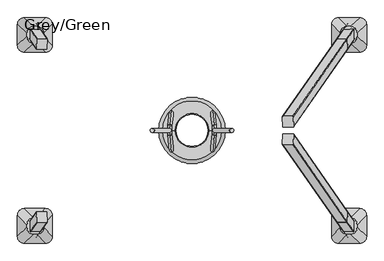
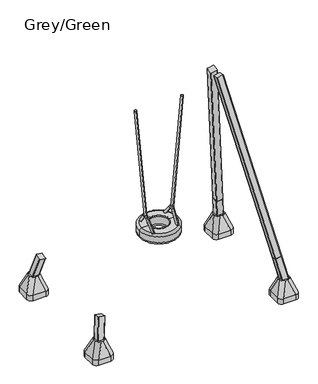
"""IFC4 building model written with IfcOpenShell, lengths in millimetres: furniture geometry, Grey/Green."""

from ifc_helpers import new_model, si_unit, point, frame, frame_2d, origin, place, context, project, spatial, polyline, circle_curve, ellipse_curve, trimmed, segment, composite_curve, outline, extrude, source, transform, mapped, element, save
from ifc_brep_helpers import plane_surface, cylinder_surface, revolved_surface, extruded_surface, advanced_brep


def grey_green_df80d558(model_context):
    return source(origin(), model_context, "Body", "SolidModel", [
        advanced_brep(
        [(1260.0, -672.5, -604.0), (1440.0, -672.5, -604.0), (1500.0, -732.5, -604.0), (1500.0, -912.5, -604.0), (1440.0, -972.5, -604.0), (1260.0, -972.5, -604.0), (1200.0, -912.5, -604.0), (1200.0, -732.5, -604.0), (1260.0, -672.5, -526.0689494), (1440.0, -672.5, -526.0689494), (1500.0, -732.5, -526.0689494), (1500.0, -912.5, -526.0689494), (1440.0, -972.5, -526.0689494), (1260.0, -972.5, -526.0689494), (1200.0, -912.5, -526.0689494), (1200.0, -732.5, -526.0689494), (1358.9540451, -751.0510597, -316.0689494), (1333.9540451, -751.0510597, -316.0689494), (1273.9540451, -811.0510597, -316.0689494), (1273.9540451, -836.0510597, -316.0689494), (1333.9540451, -896.0510597, -316.0689494), (1358.9540451, -896.0510597, -316.0689494), (1418.9540451, -836.0510597, -316.0689494), (1418.9540451, -811.0510597, -316.0689494)],
        [
            (0, 1),
            (1, 2, circle_curve(frame((1440.0, -732.5, -604.0), z_axis=(0.0, 0.0, -1.0), x_axis=(-1.0, 0.0, 0.0)), 60.0)),
            (2, 3),
            (3, 4, circle_curve(frame((1440.0, -912.5, -604.0), z_axis=(0.0, 0.0, -1.0), x_axis=(-1.0, 0.0, 0.0)), 60.0)),
            (4, 5),
            (5, 6, circle_curve(frame((1260.0, -912.5, -604.0), z_axis=(0.0, 0.0, -1.0), x_axis=(-1.0, 0.0, 0.0)), 60.0)),
            (6, 7),
            (7, 0, circle_curve(frame((1260.0, -732.5, -604.0), z_axis=(0.0, 0.0, -1.0), x_axis=(-1.0, 0.0, 0.0)), 60.0)),
            (0, 8),
            (8, 9),
            (9, 1),
            (2, 10),
            (10, 11),
            (11, 3),
            (4, 12),
            (12, 13),
            (13, 5),
            (6, 14),
            (14, 15),
            (15, 7),
            (16, 17),
            (17, 18, circle_curve(frame((1333.9540451, -811.0510597, -316.0689494), z_axis=(0.0, 0.0, 1.0), x_axis=(-1.0, 0.0, 0.0)), 60.0)),
            (18, 19),
            (19, 20, circle_curve(frame((1333.9540451, -836.0510597, -316.0689494), z_axis=(0.0, 0.0, 1.0), x_axis=(-1.0, 0.0, 0.0)), 60.0)),
            (20, 21),
            (21, 22, circle_curve(frame((1358.9540451, -836.0510597, -316.0689494), z_axis=(0.0, 0.0, 1.0), x_axis=(-1.0, 0.0, 0.0)), 60.0)),
            (22, 23),
            (23, 16, circle_curve(frame((1358.9540451, -811.0510597, -316.0689494), z_axis=(0.0, 0.0, 1.0), x_axis=(-1.0, 0.0, 0.0)), 60.0)),
            (22, 11),
            (10, 23),
            (20, 13),
            (12, 21),
            (18, 15),
            (14, 19),
            (16, 9),
            (8, 17),
            (9, 10, circle_curve(frame((1440.0, -732.5, -526.0689494), z_axis=(0.0, 0.0, -1.0), x_axis=(-1.0, 0.0, 0.0)), 60.0)),
            (11, 12, circle_curve(frame((1440.0, -912.5, -526.0689494), z_axis=(0.0, 0.0, -1.0), x_axis=(-1.0, 0.0, 0.0)), 60.0)),
            (13, 14, circle_curve(frame((1260.0, -912.5, -526.0689494), z_axis=(0.0, 0.0, -1.0), x_axis=(-1.0, 0.0, 0.0)), 60.0)),
            (15, 8, circle_curve(frame((1260.0, -732.5, -526.0689494), z_axis=(0.0, 0.0, -1.0), x_axis=(-1.0, 0.0, 0.0)), 60.0)),
        ],
        [
            plane_surface(frame((1526.6329682, -672.5, -604.0), z_axis=(0.0, 0.0, -1.0), x_axis=(-1.0, 0.0, 0.0))),
            plane_surface(frame((1260.0, -672.5, -526.0689494), z_axis=(0.0, 1.0, 0.0), x_axis=(0.0, 0.0, -1.0))),
            plane_surface(frame((1500.0, -732.5, -526.0689494), z_axis=(1.0, 0.0, 0.0), x_axis=(0.0, 0.0, -1.0))),
            plane_surface(frame((1440.0, -972.5, -526.0689494), z_axis=(0.0, -1.0, 0.0), x_axis=(0.0, 0.0, -1.0))),
            plane_surface(frame((1200.0, -912.5, -526.0689494), z_axis=(-1.0, 0.0, 0.0), x_axis=(0.0, 0.0, -1.0))),
            plane_surface(frame((1346.4540451, -823.5510597, -316.0689494), z_axis=(0.0, 0.0, 1.0), x_axis=(1.0, 0.0, 0.0))),
            plane_surface(frame((1500.0, -822.5, -526.0689494), z_axis=(0.9329330935587706, 0.0, 0.36004977842357055), x_axis=(0.0, -1.0, 0.0))),
            plane_surface(frame((1350.0, -972.5, -526.0689494), z_axis=(0.0, -0.9396707723277333, 0.34208016550656856), x_axis=(-1.0, 0.0, 0.0))),
            plane_surface(frame((1200.0, -822.5, -526.0689494), z_axis=(-0.9432207285248213, 0.0, 0.33216661072586046), x_axis=(0.0, 1.0, 0.0))),
            plane_surface(frame((1350.0, -672.5, -526.0689494), z_axis=(0.0, 0.9366205672401335, 0.35034541958297477), x_axis=(1.0, 0.0, 0.0))),
            cylinder_surface(frame((1440.0, -732.5, -604.0), z_axis=(0.0, 0.0, 1.0), x_axis=(-1.0, 0.0, 0.0)), 60.0),
            cylinder_surface(frame((1440.0, -912.5, -604.0), z_axis=(0.0, 0.0, 1.0), x_axis=(-1.0, 0.0, 0.0)), 60.0),
            cylinder_surface(frame((1260.0, -912.5, -604.0), z_axis=(0.0, 0.0, 1.0), x_axis=(-1.0, 0.0, 0.0)), 60.0),
            cylinder_surface(frame((1260.0, -732.5, -604.0), z_axis=(0.0, 0.0, 1.0), x_axis=(-1.0, 0.0, 0.0)), 60.0),
            extruded_surface(trimmed(circle_curve(frame((1358.9540451, -811.0510597, -316.0689494), z_axis=(0.0, 0.0, -1.0), x_axis=(-1.0, 0.0, 0.0)), 60.0), [point((1358.9540451, -751.0510597, -316.0689494))], [point((1418.9540451, -811.0510597, -316.0689494))], True, "CARTESIAN"), (81.04595489999997, 78.5510597, -209.99999999999994), 238.40871583406042),
            extruded_surface(trimmed(circle_curve(frame((1333.9540451, -811.0510597, -316.0689494), z_axis=(0.0, 0.0, -1.0), x_axis=(-1.0, 0.0, 0.0)), 60.0), [point((1273.9540451, -811.0510597, -316.0689494))], [point((1333.9540451, -751.0510597, -316.0689494))], True, "CARTESIAN"), (-73.95404510000003, 78.5510597, -209.99999999999994), 236.0920790002193),
            extruded_surface(trimmed(circle_curve(frame((1358.9540451, -836.0510597, -316.0689494), z_axis=(0.0, 0.0, -1.0), x_axis=(-1.0, 0.0, 0.0)), 60.0), [point((1418.9540451, -836.0510597, -316.0689494))], [point((1358.9540451, -896.0510597, -316.0689494))], True, "CARTESIAN"), (81.04595489999997, -76.4489403, -209.99999999999994), 237.72439352882105),
            extruded_surface(trimmed(circle_curve(frame((1333.9540451, -836.0510597, -316.0689494), z_axis=(0.0, 0.0, -1.0), x_axis=(-1.0, 0.0, 0.0)), 60.0), [point((1333.9540451, -896.0510597, -316.0689494))], [point((1273.9540451, -836.0510597, -316.0689494))], True, "CARTESIAN"), (-73.95404510000003, -76.4489403, -209.99999999999994), 235.4010222145303),
        ],
        [
            (0, [[1, 2, 3, 4, 5, 6, 7, 8]]),
            (1, [[9, 10, 11, -1]]),
            (2, [[12, 13, 14, -3]]),
            (3, [[15, 16, 17, -5]]),
            (4, [[18, 19, 20, -7]]),
            (5, [[21, 22, 23, 24, 25, 26, 27, 28]]),
            (6, [[29, -13, 30, -27]]),
            (7, [[31, -16, 32, -25]]),
            (8, [[33, -19, 34, -23]]),
            (9, [[35, -10, 36, -21]]),
            (10, [[-11, 37, -12, -2]]),
            (11, [[-14, 38, -15, -4]]),
            (12, [[-17, 39, -18, -6]]),
            (13, [[-20, 40, -9, -8]]),
            (14, [[-30, -37, -35, -28]]),
            (15, [[-36, -40, -33, -22]]),
            (16, [[-32, -38, -29, -26]]),
            (17, [[-34, -39, -31, -24]]),
        ],
    ),
        advanced_brep(
        [(1260.0, 672.5, -604.0), (1200.0, 732.5, -604.0), (1200.0, 912.5, -604.0), (1260.0, 972.5, -604.0), (1440.0, 972.5, -604.0), (1500.0, 912.5, -604.0), (1500.0, 732.5, -604.0), (1440.0, 672.5, -604.0), (1440.0, 672.5, -526.0689494), (1260.0, 672.5, -526.0689494), (1500.0, 912.5, -526.0689494), (1500.0, 732.5, -526.0689494), (1260.0, 972.5, -526.0689494), (1440.0, 972.5, -526.0689494), (1200.0, 732.5, -526.0689494), (1200.0, 912.5, -526.0689494), (1358.9540451, 751.0510597, -316.0689494), (1418.9540451, 811.0510597, -316.0689494), (1418.9540451, 836.0510597, -316.0689494), (1358.9540451, 896.0510597, -316.0689494), (1333.9540451, 896.0510597, -316.0689494), (1273.9540451, 836.0510597, -316.0689494), (1273.9540451, 811.0510597, -316.0689494), (1333.9540451, 751.0510597, -316.0689494)],
        [
            (0, 1, circle_curve(frame((1260.0, 732.5, -604.0), z_axis=(0.0, 0.0, -1.0), x_axis=(-1.0, 0.0, 0.0)), 60.0)),
            (1, 2),
            (2, 3, circle_curve(frame((1260.0, 912.5, -604.0), z_axis=(0.0, 0.0, -1.0), x_axis=(-1.0, 0.0, 0.0)), 60.0)),
            (3, 4),
            (4, 5, circle_curve(frame((1440.0, 912.5, -604.0), z_axis=(0.0, 0.0, -1.0), x_axis=(-1.0, 0.0, 0.0)), 60.0)),
            (5, 6),
            (6, 7, circle_curve(frame((1440.0, 732.5, -604.0), z_axis=(0.0, 0.0, -1.0), x_axis=(-1.0, 0.0, 0.0)), 60.0)),
            (7, 0),
            (7, 8),
            (8, 9),
            (9, 0),
            (5, 10),
            (10, 11),
            (11, 6),
            (3, 12),
            (12, 13),
            (13, 4),
            (1, 14),
            (14, 15),
            (15, 2),
            (16, 17, circle_curve(frame((1358.9540451, 811.0510597, -316.0689494), z_axis=(0.0, 0.0, 1.0), x_axis=(-1.0, 0.0, 0.0)), 60.0)),
            (17, 18),
            (18, 19, circle_curve(frame((1358.9540451, 836.0510597, -316.0689494), z_axis=(0.0, 0.0, 1.0), x_axis=(-1.0, 0.0, 0.0)), 60.0)),
            (19, 20),
            (20, 21, circle_curve(frame((1333.9540451, 836.0510597, -316.0689494), z_axis=(0.0, 0.0, 1.0), x_axis=(-1.0, 0.0, 0.0)), 60.0)),
            (21, 22),
            (22, 23, circle_curve(frame((1333.9540451, 811.0510597, -316.0689494), z_axis=(0.0, 0.0, 1.0), x_axis=(-1.0, 0.0, 0.0)), 60.0)),
            (23, 16),
            (17, 11),
            (10, 18),
            (19, 13),
            (12, 20),
            (21, 15),
            (14, 22),
            (23, 9),
            (8, 16),
            (11, 8, circle_curve(frame((1440.0, 732.5, -526.0689494), z_axis=(0.0, 0.0, -1.0), x_axis=(-1.0, 0.0, 0.0)), 60.0)),
            (13, 10, circle_curve(frame((1440.0, 912.5, -526.0689494), z_axis=(0.0, 0.0, -1.0), x_axis=(-1.0, 0.0, 0.0)), 60.0)),
            (15, 12, circle_curve(frame((1260.0, 912.5, -526.0689494), z_axis=(0.0, 0.0, -1.0), x_axis=(-1.0, 0.0, 0.0)), 60.0)),
            (9, 14, circle_curve(frame((1260.0, 732.5, -526.0689494), z_axis=(0.0, 0.0, -1.0), x_axis=(-1.0, 0.0, 0.0)), 60.0)),
        ],
        [
            plane_surface(frame((1526.6329682, 672.5, -604.0), z_axis=(0.0, 0.0, -1.0), x_axis=(-1.0, 0.0, 0.0))),
            plane_surface(frame((1260.0, 672.5, -526.0689494), z_axis=(0.0, -1.0, 0.0), x_axis=(0.0, 0.0, -1.0))),
            plane_surface(frame((1500.0, 732.5, -526.0689494), z_axis=(1.0, 0.0, 0.0), x_axis=(0.0, 0.0, -1.0))),
            plane_surface(frame((1440.0, 972.5, -526.0689494), z_axis=(0.0, 1.0, 0.0), x_axis=(0.0, 0.0, -1.0))),
            plane_surface(frame((1200.0, 912.5, -526.0689494), z_axis=(-1.0, 0.0, 0.0), x_axis=(0.0, 0.0, -1.0))),
            plane_surface(frame((1346.4540451, 823.5510597, -316.0689494), z_axis=(0.0, 0.0, 1.0), x_axis=(1.0, 0.0, 0.0))),
            plane_surface(frame((1500.0, 822.5, -526.0689494), z_axis=(0.9329330935587706, 0.0, 0.36004977842357055), x_axis=(0.0, 1.0, 0.0))),
            plane_surface(frame((1350.0, 972.5, -526.0689494), z_axis=(0.0, 0.9396707723277333, 0.34208016550656856), x_axis=(-1.0, 0.0, 0.0))),
            plane_surface(frame((1200.0, 822.5, -526.0689494), z_axis=(-0.9432207285248213, 0.0, 0.33216661072586046), x_axis=(0.0, -1.0, 0.0))),
            plane_surface(frame((1350.0, 672.5, -526.0689494), z_axis=(0.0, -0.9366205672401335, 0.35034541958297477), x_axis=(1.0, 0.0, 0.0))),
            cylinder_surface(frame((1440.0, 732.5, -604.0), z_axis=(0.0, 0.0, 1.0), x_axis=(-1.0, 0.0, 0.0)), 60.0),
            cylinder_surface(frame((1440.0, 912.5, -604.0), z_axis=(0.0, 0.0, 1.0), x_axis=(-1.0, 0.0, 0.0)), 60.0),
            cylinder_surface(frame((1260.0, 912.5, -604.0), z_axis=(0.0, 0.0, 1.0), x_axis=(-1.0, 0.0, 0.0)), 60.0),
            cylinder_surface(frame((1260.0, 732.5, -604.0), z_axis=(0.0, 0.0, 1.0), x_axis=(-1.0, 0.0, 0.0)), 60.0),
            extruded_surface(trimmed(circle_curve(frame((1440.0, 732.5, -526.0689494), z_axis=(0.0, 0.0, 1.0), x_axis=(-1.0, 0.0, 0.0)), 60.0), [point((1440.0, 672.5, -526.0689494))], [point((1500.0, 732.5, -526.0689494))], True, "CARTESIAN"), (-81.04595489999997, 78.5510597, 209.99999999999994), 238.40871583406042),
            extruded_surface(trimmed(circle_curve(frame((1260.0, 732.5, -526.0689494), z_axis=(0.0, 0.0, 1.0), x_axis=(-1.0, 0.0, 0.0)), 60.0), [point((1200.0, 732.5, -526.0689494))], [point((1260.0, 672.5, -526.0689494))], True, "CARTESIAN"), (73.95404510000003, 78.5510597, 209.99999999999994), 236.0920790002193),
            extruded_surface(trimmed(circle_curve(frame((1440.0, 912.5, -526.0689494), z_axis=(0.0, 0.0, 1.0), x_axis=(-1.0, 0.0, 0.0)), 60.0), [point((1500.0, 912.5, -526.0689494))], [point((1440.0, 972.5, -526.0689494))], True, "CARTESIAN"), (-81.04595489999997, -76.4489403, 209.99999999999994), 237.72439352882105),
            extruded_surface(trimmed(circle_curve(frame((1260.0, 912.5, -526.0689494), z_axis=(0.0, 0.0, 1.0), x_axis=(-1.0, 0.0, 0.0)), 60.0), [point((1260.0, 972.5, -526.0689494))], [point((1200.0, 912.5, -526.0689494))], True, "CARTESIAN"), (73.95404510000003, -76.4489403, 209.99999999999994), 235.4010222145303),
        ],
        [
            (0, [[1, 2, 3, 4, 5, 6, 7, 8]]),
            (1, [[-8, 9, 10, 11]]),
            (2, [[-6, 12, 13, 14]]),
            (3, [[-4, 15, 16, 17]]),
            (4, [[-2, 18, 19, 20]]),
            (5, [[21, 22, 23, 24, 25, 26, 27, 28]]),
            (6, [[-22, 29, -13, 30]]),
            (7, [[-24, 31, -16, 32]]),
            (8, [[-26, 33, -19, 34]]),
            (9, [[-28, 35, -10, 36]]),
            (10, [[-7, -14, 37, -9]]),
            (11, [[-5, -17, 38, -12]]),
            (12, [[-3, -20, 39, -15]]),
            (13, [[-1, -11, 40, -18]]),
            (14, [[-21, -36, -37, -29]]),
            (15, [[-27, -34, -40, -35]]),
            (16, [[-23, -30, -38, -31]]),
            (17, [[-25, -32, -39, -33]]),
        ],
    ),
        advanced_brep(
        [(-1260.0, 672.5, -604.0), (-1440.0, 672.5, -604.0), (-1500.0, 732.5, -604.0), (-1500.0, 912.5, -604.0), (-1440.0, 972.5, -604.0), (-1260.0, 972.5, -604.0), (-1200.0, 912.5, -604.0), (-1200.0, 732.5, -604.0), (-1260.0, 672.5, -526.0689494), (-1440.0, 672.5, -526.0689494), (-1500.0, 732.5, -526.0689494), (-1500.0, 912.5, -526.0689494), (-1440.0, 972.5, -526.0689494), (-1260.0, 972.5, -526.0689494), (-1200.0, 912.5, -526.0689494), (-1200.0, 732.5, -526.0689494), (-1358.9540451, 751.0510597, -316.0689494), (-1333.9540451, 751.0510597, -316.0689494), (-1273.9540451, 811.0510597, -316.0689494), (-1273.9540451, 836.0510597, -316.0689494), (-1333.9540451, 896.0510597, -316.0689494), (-1358.9540451, 896.0510597, -316.0689494), (-1418.9540451, 836.0510597, -316.0689494), (-1418.9540451, 811.0510597, -316.0689494)],
        [
            (0, 1),
            (1, 2, circle_curve(frame((-1440.0, 732.5, -604.0), z_axis=(0.0, 0.0, -1.0), x_axis=(1.0, 0.0, 0.0)), 60.0)),
            (2, 3),
            (3, 4, circle_curve(frame((-1440.0, 912.5, -604.0), z_axis=(0.0, 0.0, -1.0), x_axis=(1.0, 0.0, 0.0)), 60.0)),
            (4, 5),
            (5, 6, circle_curve(frame((-1260.0, 912.5, -604.0), z_axis=(0.0, 0.0, -1.0), x_axis=(1.0, 0.0, 0.0)), 60.0)),
            (6, 7),
            (7, 0, circle_curve(frame((-1260.0, 732.5, -604.0), z_axis=(0.0, 0.0, -1.0), x_axis=(1.0, 0.0, 0.0)), 60.0)),
            (0, 8),
            (8, 9),
            (9, 1),
            (2, 10),
            (10, 11),
            (11, 3),
            (4, 12),
            (12, 13),
            (13, 5),
            (6, 14),
            (14, 15),
            (15, 7),
            (16, 17),
            (17, 18, circle_curve(frame((-1333.9540451, 811.0510597, -316.0689494), z_axis=(0.0, 0.0, 1.0), x_axis=(1.0, 0.0, 0.0)), 60.0)),
            (18, 19),
            (19, 20, circle_curve(frame((-1333.9540451, 836.0510597, -316.0689494), z_axis=(0.0, 0.0, 1.0), x_axis=(1.0, 0.0, 0.0)), 60.0)),
            (20, 21),
            (21, 22, circle_curve(frame((-1358.9540451, 836.0510597, -316.0689494), z_axis=(0.0, 0.0, 1.0), x_axis=(1.0, 0.0, 0.0)), 60.0)),
            (22, 23),
            (23, 16, circle_curve(frame((-1358.9540451, 811.0510597, -316.0689494), z_axis=(0.0, 0.0, 1.0), x_axis=(1.0, 0.0, 0.0)), 60.0)),
            (22, 11),
            (10, 23),
            (20, 13),
            (12, 21),
            (18, 15),
            (14, 19),
            (16, 9),
            (8, 17),
            (9, 10, circle_curve(frame((-1440.0, 732.5, -526.0689494), z_axis=(0.0, 0.0, -1.0), x_axis=(1.0, 0.0, 0.0)), 60.0)),
            (11, 12, circle_curve(frame((-1440.0, 912.5, -526.0689494), z_axis=(0.0, 0.0, -1.0), x_axis=(1.0, 0.0, 0.0)), 60.0)),
            (13, 14, circle_curve(frame((-1260.0, 912.5, -526.0689494), z_axis=(0.0, 0.0, -1.0), x_axis=(1.0, 0.0, 0.0)), 60.0)),
            (15, 8, circle_curve(frame((-1260.0, 732.5, -526.0689494), z_axis=(0.0, 0.0, -1.0), x_axis=(1.0, 0.0, 0.0)), 60.0)),
        ],
        [
            plane_surface(frame((-1526.6329682, 672.5, -604.0), z_axis=(0.0, 0.0, -1.0), x_axis=(1.0, 0.0, 0.0))),
            plane_surface(frame((-1260.0, 672.5, -526.0689494), z_axis=(0.0, -1.0, 0.0), x_axis=(0.0, 0.0, -1.0))),
            plane_surface(frame((-1500.0, 732.5, -526.0689494), z_axis=(-1.0, 0.0, 0.0), x_axis=(0.0, 0.0, -1.0))),
            plane_surface(frame((-1440.0, 972.5, -526.0689494), z_axis=(0.0, 1.0, 0.0), x_axis=(0.0, 0.0, -1.0))),
            plane_surface(frame((-1200.0, 912.5, -526.0689494), z_axis=(1.0, 0.0, 0.0), x_axis=(0.0, 0.0, -1.0))),
            plane_surface(frame((-1346.4540451, 823.5510597, -316.0689494), z_axis=(0.0, 0.0, 1.0), x_axis=(-1.0, 0.0, 0.0))),
            plane_surface(frame((-1500.0, 822.5, -526.0689494), z_axis=(-0.9329330935587706, 0.0, 0.36004977842357055), x_axis=(0.0, 1.0, 0.0))),
            plane_surface(frame((-1350.0, 972.5, -526.0689494), z_axis=(0.0, 0.9396707723277333, 0.34208016550656856), x_axis=(1.0, 0.0, 0.0))),
            plane_surface(frame((-1200.0, 822.5, -526.0689494), z_axis=(0.9432207285248213, 0.0, 0.33216661072586046), x_axis=(0.0, -1.0, 0.0))),
            plane_surface(frame((-1350.0, 672.5, -526.0689494), z_axis=(0.0, -0.9366205672401335, 0.35034541958297477), x_axis=(-1.0, 0.0, 0.0))),
            cylinder_surface(frame((-1440.0, 732.5, -604.0), z_axis=(0.0, 0.0, 1.0), x_axis=(1.0, 0.0, 0.0)), 60.0),
            cylinder_surface(frame((-1440.0, 912.5, -604.0), z_axis=(0.0, 0.0, 1.0), x_axis=(1.0, 0.0, 0.0)), 60.0),
            cylinder_surface(frame((-1260.0, 912.5, -604.0), z_axis=(0.0, 0.0, 1.0), x_axis=(1.0, 0.0, 0.0)), 60.0),
            cylinder_surface(frame((-1260.0, 732.5, -604.0), z_axis=(0.0, 0.0, 1.0), x_axis=(1.0, 0.0, 0.0)), 60.0),
            extruded_surface(trimmed(circle_curve(frame((-1358.9540451, 811.0510597, -316.0689494), z_axis=(0.0, 0.0, -1.0), x_axis=(1.0, 0.0, 0.0)), 60.0), [point((-1358.9540451, 751.0510597, -316.0689494))], [point((-1418.9540451, 811.0510597, -316.0689494))], True, "CARTESIAN"), (-81.04595489999997, -78.5510597, -209.99999999999994), 238.40871583406042),
            extruded_surface(trimmed(circle_curve(frame((-1333.9540451, 811.0510597, -316.0689494), z_axis=(0.0, 0.0, -1.0), x_axis=(1.0, 0.0, 0.0)), 60.0), [point((-1273.9540451, 811.0510597, -316.0689494))], [point((-1333.9540451, 751.0510597, -316.0689494))], True, "CARTESIAN"), (73.95404510000003, -78.5510597, -209.99999999999994), 236.0920790002193),
            extruded_surface(trimmed(circle_curve(frame((-1358.9540451, 836.0510597, -316.0689494), z_axis=(0.0, 0.0, -1.0), x_axis=(1.0, 0.0, 0.0)), 60.0), [point((-1418.9540451, 836.0510597, -316.0689494))], [point((-1358.9540451, 896.0510597, -316.0689494))], True, "CARTESIAN"), (-81.04595489999997, 76.4489403, -209.99999999999994), 237.72439352882105),
            extruded_surface(trimmed(circle_curve(frame((-1333.9540451, 836.0510597, -316.0689494), z_axis=(0.0, 0.0, -1.0), x_axis=(1.0, 0.0, 0.0)), 60.0), [point((-1333.9540451, 896.0510597, -316.0689494))], [point((-1273.9540451, 836.0510597, -316.0689494))], True, "CARTESIAN"), (73.95404510000003, 76.4489403, -209.99999999999994), 235.4010222145303),
        ],
        [
            (0, [[1, 2, 3, 4, 5, 6, 7, 8]]),
            (1, [[9, 10, 11, -1]]),
            (2, [[12, 13, 14, -3]]),
            (3, [[15, 16, 17, -5]]),
            (4, [[18, 19, 20, -7]]),
            (5, [[21, 22, 23, 24, 25, 26, 27, 28]]),
            (6, [[29, -13, 30, -27]]),
            (7, [[31, -16, 32, -25]]),
            (8, [[33, -19, 34, -23]]),
            (9, [[35, -10, 36, -21]]),
            (10, [[-11, 37, -12, -2]]),
            (11, [[-14, 38, -15, -4]]),
            (12, [[-17, 39, -18, -6]]),
            (13, [[-20, 40, -9, -8]]),
            (14, [[-30, -37, -35, -28]]),
            (15, [[-36, -40, -33, -22]]),
            (16, [[-32, -38, -29, -26]]),
            (17, [[-34, -39, -31, -24]]),
        ],
    ),
        advanced_brep(
        [(-1260.0, -672.5, -604.0), (-1200.0, -732.5, -604.0), (-1200.0, -912.5, -604.0), (-1260.0, -972.5, -604.0), (-1440.0, -972.5, -604.0), (-1500.0, -912.5, -604.0), (-1500.0, -732.5, -604.0), (-1440.0, -672.5, -604.0), (-1440.0, -672.5, -526.0689494), (-1260.0, -672.5, -526.0689494), (-1500.0, -912.5, -526.0689494), (-1500.0, -732.5, -526.0689494), (-1260.0, -972.5, -526.0689494), (-1440.0, -972.5, -526.0689494), (-1200.0, -732.5, -526.0689494), (-1200.0, -912.5, -526.0689494), (-1358.9540451, -751.0510597, -316.0689494), (-1418.9540451, -811.0510597, -316.0689494), (-1418.9540451, -836.0510597, -316.0689494), (-1358.9540451, -896.0510597, -316.0689494), (-1333.9540451, -896.0510597, -316.0689494), (-1273.9540451, -836.0510597, -316.0689494), (-1273.9540451, -811.0510597, -316.0689494), (-1333.9540451, -751.0510597, -316.0689494)],
        [
            (0, 1, circle_curve(frame((-1260.0, -732.5, -604.0), z_axis=(0.0, 0.0, -1.0), x_axis=(1.0, 0.0, 0.0)), 60.0)),
            (1, 2),
            (2, 3, circle_curve(frame((-1260.0, -912.5, -604.0), z_axis=(0.0, 0.0, -1.0), x_axis=(1.0, 0.0, 0.0)), 60.0)),
            (3, 4),
            (4, 5, circle_curve(frame((-1440.0, -912.5, -604.0), z_axis=(0.0, 0.0, -1.0), x_axis=(1.0, 0.0, 0.0)), 60.0)),
            (5, 6),
            (6, 7, circle_curve(frame((-1440.0, -732.5, -604.0), z_axis=(0.0, 0.0, -1.0), x_axis=(1.0, 0.0, 0.0)), 60.0)),
            (7, 0),
            (7, 8),
            (8, 9),
            (9, 0),
            (5, 10),
            (10, 11),
            (11, 6),
            (3, 12),
            (12, 13),
            (13, 4),
            (1, 14),
            (14, 15),
            (15, 2),
            (16, 17, circle_curve(frame((-1358.9540451, -811.0510597, -316.0689494), z_axis=(0.0, 0.0, 1.0), x_axis=(1.0, 0.0, 0.0)), 60.0)),
            (17, 18),
            (18, 19, circle_curve(frame((-1358.9540451, -836.0510597, -316.0689494), z_axis=(0.0, 0.0, 1.0), x_axis=(1.0, 0.0, 0.0)), 60.0)),
            (19, 20),
            (20, 21, circle_curve(frame((-1333.9540451, -836.0510597, -316.0689494), z_axis=(0.0, 0.0, 1.0), x_axis=(1.0, 0.0, 0.0)), 60.0)),
            (21, 22),
            (22, 23, circle_curve(frame((-1333.9540451, -811.0510597, -316.0689494), z_axis=(0.0, 0.0, 1.0), x_axis=(1.0, 0.0, 0.0)), 60.0)),
            (23, 16),
            (17, 11),
            (10, 18),
            (19, 13),
            (12, 20),
            (21, 15),
            (14, 22),
            (23, 9),
            (8, 16),
            (11, 8, circle_curve(frame((-1440.0, -732.5, -526.0689494), z_axis=(0.0, 0.0, -1.0), x_axis=(1.0, 0.0, 0.0)), 60.0)),
            (13, 10, circle_curve(frame((-1440.0, -912.5, -526.0689494), z_axis=(0.0, 0.0, -1.0), x_axis=(1.0, 0.0, 0.0)), 60.0)),
            (15, 12, circle_curve(frame((-1260.0, -912.5, -526.0689494), z_axis=(0.0, 0.0, -1.0), x_axis=(1.0, 0.0, 0.0)), 60.0)),
            (9, 14, circle_curve(frame((-1260.0, -732.5, -526.0689494), z_axis=(0.0, 0.0, -1.0), x_axis=(1.0, 0.0, 0.0)), 60.0)),
        ],
        [
            plane_surface(frame((-1526.6329682, -672.5, -604.0), z_axis=(0.0, 0.0, -1.0), x_axis=(1.0, 0.0, 0.0))),
            plane_surface(frame((-1260.0, -672.5, -526.0689494), z_axis=(0.0, 1.0, 0.0), x_axis=(0.0, 0.0, -1.0))),
            plane_surface(frame((-1500.0, -732.5, -526.0689494), z_axis=(-1.0, 0.0, 0.0), x_axis=(0.0, 0.0, -1.0))),
            plane_surface(frame((-1440.0, -972.5, -526.0689494), z_axis=(0.0, -1.0, 0.0), x_axis=(0.0, 0.0, -1.0))),
            plane_surface(frame((-1200.0, -912.5, -526.0689494), z_axis=(1.0, 0.0, 0.0), x_axis=(0.0, 0.0, -1.0))),
            plane_surface(frame((-1346.4540451, -823.5510597, -316.0689494), z_axis=(0.0, 0.0, 1.0), x_axis=(-1.0, 0.0, 0.0))),
            plane_surface(frame((-1500.0, -822.5, -526.0689494), z_axis=(-0.9329330935587706, 0.0, 0.36004977842357055), x_axis=(0.0, -1.0, 0.0))),
            plane_surface(frame((-1350.0, -972.5, -526.0689494), z_axis=(0.0, -0.9396707723277333, 0.34208016550656856), x_axis=(1.0, 0.0, 0.0))),
            plane_surface(frame((-1200.0, -822.5, -526.0689494), z_axis=(0.9432207285248213, 0.0, 0.33216661072586046), x_axis=(0.0, 1.0, 0.0))),
            plane_surface(frame((-1350.0, -672.5, -526.0689494), z_axis=(0.0, 0.9366205672401335, 0.35034541958297477), x_axis=(-1.0, 0.0, 0.0))),
            cylinder_surface(frame((-1440.0, -732.5, -604.0), z_axis=(0.0, 0.0, 1.0), x_axis=(1.0, 0.0, 0.0)), 60.0),
            cylinder_surface(frame((-1440.0, -912.5, -604.0), z_axis=(0.0, 0.0, 1.0), x_axis=(1.0, 0.0, 0.0)), 60.0),
            cylinder_surface(frame((-1260.0, -912.5, -604.0), z_axis=(0.0, 0.0, 1.0), x_axis=(1.0, 0.0, 0.0)), 60.0),
            cylinder_surface(frame((-1260.0, -732.5, -604.0), z_axis=(0.0, 0.0, 1.0), x_axis=(1.0, 0.0, 0.0)), 60.0),
            extruded_surface(trimmed(circle_curve(frame((-1440.0, -732.5, -526.0689494), z_axis=(0.0, 0.0, 1.0), x_axis=(1.0, 0.0, 0.0)), 60.0), [point((-1440.0, -672.5, -526.0689494))], [point((-1500.0, -732.5, -526.0689494))], True, "CARTESIAN"), (81.04595489999997, -78.5510597, 209.99999999999994), 238.40871583406042),
            extruded_surface(trimmed(circle_curve(frame((-1260.0, -732.5, -526.0689494), z_axis=(0.0, 0.0, 1.0), x_axis=(1.0, 0.0, 0.0)), 60.0), [point((-1200.0, -732.5, -526.0689494))], [point((-1260.0, -672.5, -526.0689494))], True, "CARTESIAN"), (-73.95404510000003, -78.5510597, 209.99999999999994), 236.0920790002193),
            extruded_surface(trimmed(circle_curve(frame((-1440.0, -912.5, -526.0689494), z_axis=(0.0, 0.0, 1.0), x_axis=(1.0, 0.0, 0.0)), 60.0), [point((-1500.0, -912.5, -526.0689494))], [point((-1440.0, -972.5, -526.0689494))], True, "CARTESIAN"), (81.04595489999997, 76.4489403, 209.99999999999994), 237.72439352882105),
            extruded_surface(trimmed(circle_curve(frame((-1260.0, -912.5, -526.0689494), z_axis=(0.0, 0.0, 1.0), x_axis=(1.0, 0.0, 0.0)), 60.0), [point((-1260.0, -972.5, -526.0689494))], [point((-1200.0, -912.5, -526.0689494))], True, "CARTESIAN"), (-73.95404510000003, 76.4489403, 209.99999999999994), 235.4010222145303),
        ],
        [
            (0, [[1, 2, 3, 4, 5, 6, 7, 8]]),
            (1, [[-8, 9, 10, 11]]),
            (2, [[-6, 12, 13, 14]]),
            (3, [[-4, 15, 16, 17]]),
            (4, [[-2, 18, 19, 20]]),
            (5, [[21, 22, 23, 24, 25, 26, 27, 28]]),
            (6, [[-22, 29, -13, 30]]),
            (7, [[-24, 31, -16, 32]]),
            (8, [[-26, 33, -19, 34]]),
            (9, [[-28, 35, -10, 36]]),
            (10, [[-7, -14, 37, -9]]),
            (11, [[-5, -17, 38, -12]]),
            (12, [[-3, -20, 39, -15]]),
            (13, [[-1, -11, 40, -18]]),
            (14, [[-21, -36, -37, -29]]),
            (15, [[-27, -34, -40, -35]]),
            (16, [[-23, -30, -38, -31]]),
            (17, [[-25, -32, -39, -33]]),
        ],
    ),
        extrude(outline(composite_curve([segment(trimmed(circle_curve(frame_2d((1.4321269, 0.0)), 18.0), [point((1.4321269, 18.0))], [point((1.4321269, -18.0))], False, "CARTESIAN"), True, "CONTINUOUS"), segment(trimmed(circle_curve(frame_2d((1.4321269, 0.0)), 18.0), [point((1.4321269, -18.0))], [point((1.4321269, 18.0))], False, "CARTESIAN"), True, "CONTINUOUS")], self_intersect=False)), frame((-193.3490007, 0.0, 686.6778156), z_axis=(-0.08715574274765649, 0.0, 0.9961946980917457), x_axis=(-0.9961946980917457, 0.0, -0.08715574274765649)), (0.0, 0.0, 1.0), 1665.0),
        extrude(outline(composite_curve([segment(trimmed(circle_curve(frame_2d((1.4321269, 0.0)), 18.0), [point((1.4321269, 18.0))], [point((1.4321269, -18.0))], False, "CARTESIAN"), True, "CONTINUOUS"), segment(trimmed(circle_curve(frame_2d((1.4321269, 0.0)), 18.0), [point((1.4321269, -18.0))], [point((1.4321269, 18.0))], False, "CARTESIAN"), True, "CONTINUOUS")], self_intersect=False)), frame((193.3490007, 0.0, 686.6778156), z_axis=(0.08715574274767696, 0.0, 0.9961946980917439), x_axis=(0.9961946980917439, 0.0, -0.08715574274767696)), (0.0, 0.0, 1.0), 1665.0),
        advanced_brep(
        [(177.843913, 171.5929238, 509.453853), (175.9556542, 142.8420454, 487.8709553), (189.8767884, 22.4790408, 646.9902475), (191.7650472, 51.2299192, 668.5731452), (177.5847991, -188.6337903, 506.4921669), (175.5263438, -161.4642454, 482.9639159), (192.0557994, -44.3008039, 671.896457), (189.9973441, -17.131259, 648.3682061)],
        [
            (0, 1, circle_curve(frame((176.8997836, 157.2174846, 498.6624042), z_axis=(-0.06960567106284149, 0.6018150231520505, -0.7955964608169073), x_axis=(-0.05245163533952736, -0.7986355100472913, -0.5995249352960328)), 18.0)),
            (1, 0, circle_curve(frame((176.8997836, 157.2174846, 498.6624042), z_axis=(-0.06960567106284149, 0.6018150231520505, -0.7955964608169073), x_axis=(-0.05245163533952736, -0.7986355100472913, -0.5995249352960328)), 18.0)),
            (1, 2),
            (2, 3, circle_curve(frame((190.8209178, 36.85448, 657.7816963), z_axis=(-0.06960567106284149, 0.6018150231520505, -0.7955964608169073), x_axis=(-0.05245163533952736, -0.7986355100472913, -0.5995249352960328)), 18.0)),
            (3, 0),
            (3, 2, circle_curve(frame((190.8209178, 36.85448, 657.7816963), z_axis=(-0.06960567106284149, 0.6018150231520505, -0.7955964608169073), x_axis=(-0.05245163533952736, -0.7986355100472913, -0.5995249352960328)), 18.0)),
            (4, 5, circle_curve(frame((176.5555715, -175.0490178, 494.7280414), z_axis=(-0.06577727402310152, -0.6560590289905275, -0.7518376824169539), x_axis=(-0.0571793119579891, 0.7547095802227545, -0.6535625263155811)), 18.0)),
            (5, 4, circle_curve(frame((176.5555715, -175.0490178, 494.7280414), z_axis=(-0.06577727402310152, -0.6560590289905275, -0.7518376824169539), x_axis=(-0.0571793119579891, 0.7547095802227545, -0.6535625263155811)), 18.0)),
            (6, 7, circle_curve(frame((191.0265717, -30.7160315, 660.1323315), z_axis=(-0.06577727402310152, -0.6560590289905275, -0.7518376824169539), x_axis=(-0.0571793119579891, 0.7547095802227545, -0.6535625263155811)), 18.0)),
            (7, 5),
            (4, 6),
            (7, 6, circle_curve(frame((191.0265717, -30.7160315, 660.1323315), z_axis=(-0.06577727402310152, -0.6560590289905275, -0.7518376824169539), x_axis=(-0.0571793119579891, 0.7547095802227545, -0.6535625263155811)), 18.0)),
            (7, 2, circle_curve(frame((188.5392717, 2.1138353, 631.7023617), z_axis=(-0.9961946980917439, 0.0, 0.08715574274767696), x_axis=(0.0524516353395274, 0.7986355100472908, 0.5995249352960332)), 25.5)),
            (3, 6, circle_curve(frame((188.5392717, 2.1138353, 631.7023617), z_axis=(0.9961946980917439, 0.0, -0.08715574274767696), x_axis=(0.0524516353395274, 0.7986355100472908, 0.5995249352960332)), 61.5)),
        ],
        [
            plane_surface(frame((176.8997836, 157.2174846, 498.6624042), z_axis=(-0.06960567106284149, 0.6018150231520504, -0.7955964608169073), x_axis=(0.9961946980917439, 0.0, -0.08715574274767696))),
            cylinder_surface(frame((176.8997836, 157.2174846, 498.6624042), z_axis=(-0.06960567106284149, 0.6018150231520505, -0.7955964608169073), x_axis=(-0.05245163533952736, -0.7986355100472913, -0.5995249352960328)), 18.0),
            plane_surface(frame((176.5555715, -175.0490178, 494.7280414), z_axis=(-0.06577727402310148, -0.6560590289905277, -0.7518376824169536), x_axis=(0.9961946980917439, 0.0, -0.08715574274767686))),
            cylinder_surface(frame((191.0265717, -30.7160315, 660.1323315), z_axis=(0.0657772740231015, 0.6560590289905274, 0.7518376824169537), x_axis=(-0.0571793119579891, 0.7547095802227545, -0.6535625263155811)), 18.0),
            revolved_surface(trimmed(ellipse_curve(frame((190.8209178, 36.85448, 657.7816963), z_axis=(-0.06960567106284156, 0.6018150231520512, -0.7955964608169066), x_axis=(-0.05245163533952739, -0.7986355100472906, -0.5995249352960335)), 18.0, 18.0), [point((191.7650472, 51.2299192, 668.5731452))], [point((189.8767884, 22.4790408, 646.9902475))], True, "CARTESIAN"), (188.5392717, 2.1138353, 631.7023617), (0.9961946980917439, 0.0, -0.08715574274767696)),
            revolved_surface(trimmed(ellipse_curve(frame((190.8209178, 36.85448, 657.7816963), z_axis=(-0.06960567106284156, 0.6018150231520512, -0.7955964608169066), x_axis=(-0.05245163533952739, -0.7986355100472906, -0.5995249352960335)), 18.0, 18.0), [point((189.8767884, 22.4790408, 646.9902475))], [point((191.7650472, 51.2299192, 668.5731452))], True, "CARTESIAN"), (188.5392717, 2.1138353, 631.7023617), (0.9961946980917439, 0.0, -0.08715574274767696)),
        ],
        [
            (0, [[1, 2]]),
            (1, [[-2, 3, 4, 5]]),
            (1, [[-1, -5, 6, -3]]),
            (2, [[7, 8]]),
            (3, [[9, 10, -7, 11]]),
            (3, [[12, -11, -8, -10]]),
            (4, [[13, -6, 14, -12]]),
            (5, [[-14, -4, -13, -9]]),
        ],
    ),
        advanced_brep(
        [(-175.9564414, 142.8352389, 487.8799535), (-177.8447003, 171.5861173, 509.4628511), (-189.8775756, 22.4722343, 646.9992456), (-191.7658345, 51.2231127, 668.5821433), (-175.5270878, -161.4568254, 482.9724192), (-177.585543, -188.6263703, 506.5006701), (-192.0565433, -44.2933839, 671.9049602), (-189.9980881, -17.123839, 648.3767093)],
        [
            (0, 1, circle_curve(frame((-176.9005708, 157.2106781, 498.6714023), z_axis=(0.06960567106282514, 0.6018150231520504, -0.7955964608169089), x_axis=(-0.052451635339515044, 0.7986355100472914, 0.5995249352960337)), 18.0)),
            (1, 0, circle_curve(frame((-176.9005708, 157.2106781, 498.6714023), z_axis=(0.06960567106282514, 0.6018150231520504, -0.7955964608169089), x_axis=(-0.052451635339515044, 0.7986355100472914, 0.5995249352960337)), 18.0)),
            (0, 2),
            (2, 3, circle_curve(frame((-190.821705, 36.8476735, 657.7906945), z_axis=(0.06960567106282514, 0.6018150231520504, -0.7955964608169089), x_axis=(-0.052451635339515044, 0.7986355100472914, 0.5995249352960337)), 18.0)),
            (3, 1),
            (3, 2, circle_curve(frame((-190.821705, 36.8476735, 657.7906945), z_axis=(0.06960567106282514, 0.6018150231520504, -0.7955964608169089), x_axis=(-0.052451635339515044, 0.7986355100472914, 0.5995249352960337)), 18.0)),
            (4, 5, circle_curve(frame((-176.5563154, -175.0415979, 494.7365446), z_axis=(0.06577727402308613, -0.6560590289905281, -0.7518376824169546), x_axis=(-0.05717931195797577, -0.754709580222754, 0.653562526315583)), 18.0)),
            (5, 4, circle_curve(frame((-176.5563154, -175.0415979, 494.7365446), z_axis=(0.06577727402308613, -0.6560590289905281, -0.7518376824169546), x_axis=(-0.05717931195797577, -0.754709580222754, 0.653562526315583)), 18.0)),
            (6, 7, circle_curve(frame((-191.0273157, -30.7086115, 660.1408348), z_axis=(0.06577727402308613, -0.6560590289905281, -0.7518376824169546), x_axis=(-0.05717931195797577, -0.754709580222754, 0.653562526315583)), 18.0)),
            (7, 4),
            (5, 6),
            (7, 6, circle_curve(frame((-191.0273157, -30.7086115, 660.1408348), z_axis=(0.06577727402308613, -0.6560590289905281, -0.7518376824169546), x_axis=(-0.05717931195797577, -0.754709580222754, 0.653562526315583)), 18.0)),
            (6, 3, circle_curve(frame((-188.5405393, 2.1143432, 631.7168506), z_axis=(-0.9961946980917457, 0.0, -0.08715574274765649), x_axis=(-0.05245163533951502, 0.7986355100472914, 0.5995249352960336)), 61.4908414)),
            (2, 7, circle_curve(frame((-188.5405393, 2.1143432, 631.7168506), z_axis=(0.9961946980917457, 0.0, 0.08715574274765649), x_axis=(-0.05245163533951502, 0.7986355100472914, 0.5995249352960336)), 25.4908414)),
        ],
        [
            plane_surface(frame((-176.9005708, 157.2106781, 498.6714023), z_axis=(0.06960567106282513, 0.6018150231520503, -0.7955964608169087), x_axis=(-0.9961946980917457, 0.0, -0.08715574274765646))),
            cylinder_surface(frame((-176.9005708, 157.2106781, 498.6714023), z_axis=(0.06960567106282513, 0.6018150231520503, -0.7955964608169087), x_axis=(-0.052451635339515044, 0.7986355100472914, 0.5995249352960337)), 18.0),
            plane_surface(frame((-176.5563154, -175.0415979, 494.7365446), z_axis=(0.06577727402308613, -0.6560590289905281, -0.7518376824169546), x_axis=(-0.9961946980917457, 0.0, -0.08715574274765645))),
            cylinder_surface(frame((-191.0273157, -30.7086115, 660.1408348), z_axis=(-0.06577727402308613, 0.6560590289905281, 0.7518376824169546), x_axis=(-0.05717931195797577, -0.754709580222754, 0.653562526315583)), 18.0),
            revolved_surface(trimmed(ellipse_curve(frame((-190.821705, 36.8476735, 657.7906945), z_axis=(0.0696056710628252, 0.6018150231520499, -0.7955964608169088), x_axis=(-0.05245163533951503, 0.7986355100472915, 0.5995249352960333)), 18.0, 18.0), [point((-189.8775756, 22.4722343, 646.9992456))], [point((-191.7658345, 51.2231127, 668.5821433))], True, "CARTESIAN"), (-188.5405393, 2.1143432, 631.7168506), (0.9961946980917457, 0.0, 0.08715574274765649)),
            revolved_surface(trimmed(ellipse_curve(frame((-190.821705, 36.8476735, 657.7906945), z_axis=(0.0696056710628252, 0.6018150231520499, -0.7955964608169088), x_axis=(-0.05245163533951503, 0.7986355100472915, 0.5995249352960333)), 18.0, 18.0), [point((-191.7658345, 51.2231127, 668.5821433))], [point((-189.8775756, 22.4722343, 646.9992456))], True, "CARTESIAN"), (-188.5405393, 2.1143432, 631.7168506), (0.9961946980917457, 0.0, 0.08715574274765649)),
        ],
        [
            (0, [[1, 2]]),
            (1, [[-1, 3, 4, 5]]),
            (1, [[-2, -5, 6, -3]]),
            (2, [[7, 8]]),
            (3, [[9, 10, -8, 11]]),
            (3, [[12, -11, -7, -10]]),
            (4, [[13, -4, 14, -9]]),
            (5, [[-14, -6, -13, -12]]),
        ],
    ),
        advanced_brep(
        [(-285.6834754, 0.0, 390.0), (285.6834754, 0.0, 390.0), (255.6834754, 0.0, 360.0), (-255.6834754, 0.0, 360.0), (-255.6834754, 0.0, 510.0), (255.6834754, 0.0, 510.0), (285.6834754, 0.0, 480.0), (-285.6834754, 0.0, 480.0), (-145.0, 0.0, 510.0), (145.0, 0.0, 510.0), (-145.0, 0.0, 500.0), (145.0, 0.0, 500.0), (-145.0, 0.0, 360.0), (145.0, 0.0, 360.0), (145.0, 0.0, 375.0), (-145.0, 0.0, 375.0)],
        [
            (0, 1, circle_curve(frame((0.0, 0.0, 390.0), z_axis=(0.0, 0.0, -1.0), x_axis=(1.0, 0.0, 0.0)), 285.6834754)),
            (1, 2, circle_curve(frame((255.6834754, 0.0, 390.0), z_axis=(0.0, 1.0, 0.0), x_axis=(1.0, 0.0, 0.0)), 30.0)),
            (2, 3, circle_curve(frame((0.0, 0.0, 360.0), z_axis=(0.0, 0.0, 1.0), x_axis=(1.0, 0.0, 0.0)), 255.6834754)),
            (3, 0, circle_curve(frame((-255.6834754, 0.0, 390.0), z_axis=(0.0, 1.0, 0.0), x_axis=(-1.0, 0.0, 0.0)), 30.0)),
            (1, 0, circle_curve(frame((0.0, 0.0, 390.0), z_axis=(0.0, 0.0, -1.0), x_axis=(1.0, 0.0, 0.0)), 285.6834754)),
            (3, 2, circle_curve(frame((0.0, 0.0, 360.0), z_axis=(0.0, 0.0, 1.0), x_axis=(1.0, 0.0, 0.0)), 255.6834754)),
            (4, 5, circle_curve(frame((0.0, 0.0, 510.0), z_axis=(0.0, 0.0, -1.0), x_axis=(1.0, 0.0, 0.0)), 255.6834754)),
            (5, 6, circle_curve(frame((255.6834754, 0.0, 480.0), z_axis=(0.0, 1.0, 0.0), x_axis=(1.0, 0.0, 0.0)), 30.0)),
            (6, 7, circle_curve(frame((0.0, 0.0, 480.0), z_axis=(0.0, 0.0, 1.0), x_axis=(1.0, 0.0, 0.0)), 285.6834754)),
            (7, 4, circle_curve(frame((-255.6834754, 0.0, 480.0), z_axis=(0.0, 1.0, 0.0), x_axis=(-1.0, 0.0, 0.0)), 30.0)),
            (5, 4, circle_curve(frame((0.0, 0.0, 510.0), z_axis=(0.0, 0.0, -1.0), x_axis=(1.0, 0.0, 0.0)), 255.6834754)),
            (7, 6, circle_curve(frame((0.0, 0.0, 480.0), z_axis=(0.0, 0.0, 1.0), x_axis=(1.0, 0.0, 0.0)), 285.6834754)),
            (8, 9, circle_curve(frame((0.0, 0.0, 510.0), z_axis=(0.0, 0.0, -1.0), x_axis=(1.0, 0.0, 0.0)), 145.0)),
            (9, 5),
            (4, 8),
            (9, 8, circle_curve(frame((0.0, 0.0, 510.0), z_axis=(0.0, 0.0, -1.0), x_axis=(1.0, 0.0, 0.0)), 145.0)),
            (10, 11, circle_curve(frame((0.0, 0.0, 500.0), z_axis=(0.0, 0.0, -1.0), x_axis=(1.0, 0.0, 0.0)), 145.0)),
            (11, 9, circle_curve(frame((145.0, 0.0, 505.0), z_axis=(0.0, 1.0, 0.0), x_axis=(1.0, 0.0, 0.0)), 5.0)),
            (8, 10, circle_curve(frame((-145.0, 0.0, 505.0), z_axis=(0.0, 1.0, 0.0), x_axis=(-1.0, 0.0, 0.0)), 5.0)),
            (11, 10, circle_curve(frame((0.0, 0.0, 500.0), z_axis=(0.0, 0.0, -1.0), x_axis=(1.0, 0.0, 0.0)), 145.0)),
            (12, 13, circle_curve(frame((0.0, 0.0, 360.0), z_axis=(0.0, 0.0, -1.0), x_axis=(1.0, 0.0, 0.0)), 145.0)),
            (13, 14, circle_curve(frame((148.8250415, 0.0, 367.5), z_axis=(0.0, 1.0, 0.0), x_axis=(1.0, 0.0, 0.0)), 8.4190821)),
            (14, 15, circle_curve(frame((0.0, 0.0, 375.0), z_axis=(0.0, 0.0, 1.0), x_axis=(1.0, 0.0, 0.0)), 145.0)),
            (15, 12, circle_curve(frame((-148.8250415, 0.0, 367.5), z_axis=(0.0, 1.0, 0.0), x_axis=(-1.0, 0.0, 0.0)), 8.4190821)),
            (13, 12, circle_curve(frame((0.0, 0.0, 360.0), z_axis=(0.0, 0.0, -1.0), x_axis=(1.0, 0.0, 0.0)), 145.0)),
            (15, 14, circle_curve(frame((0.0, 0.0, 375.0), z_axis=(0.0, 0.0, 1.0), x_axis=(1.0, 0.0, 0.0)), 145.0)),
            (2, 13),
            (12, 3),
            (6, 1),
            (0, 7),
            (14, 11, circle_curve(frame((145.0, 0.0, 437.5), z_axis=(0.0, -1.0, 0.0), x_axis=(-1.0, 0.0, 0.0)), 62.5)),
            (10, 15, circle_curve(frame((-145.0, 0.0, 437.5), z_axis=(0.0, -1.0, 0.0), x_axis=(1.0, 0.0, 0.0)), 62.5)),
        ],
        [
            revolved_surface(trimmed(ellipse_curve(frame((255.6834754, 0.0, 390.0), z_axis=(0.0, -1.0, 0.0), x_axis=(1.0, 0.0, 0.0)), 30.0, 30.0), [point((255.6834754, 0.0, 360.0))], [point((285.6834754, 0.0, 390.0))], True, "CARTESIAN"), (0.0, 0.0, 2969.0581012), (0.0, 0.0, 1.0)),
            revolved_surface(trimmed(ellipse_curve(frame((255.6834754, 0.0, 480.0), z_axis=(0.0, -1.0, 0.0), x_axis=(1.0, 0.0, 0.0)), 30.0, 30.0), [point((285.6834754, 0.0, 480.0))], [point((255.6834754, 0.0, 510.0))], True, "CARTESIAN"), (0.0, 0.0, 2969.0581012), (0.0, 0.0, 1.0)),
            plane_surface(frame((0.0, 0.0, 510.0), z_axis=(0.0, 0.0, 1.0), x_axis=(1.0, 0.0, 0.0))),
            revolved_surface(trimmed(ellipse_curve(frame((145.0, 0.0, 505.0), z_axis=(0.0, -1.0, 0.0), x_axis=(1.0, 0.0, 0.0)), 5.0, 5.0), [point((145.0, 0.0, 510.0))], [point((145.0, 0.0, 500.0))], True, "CARTESIAN"), (0.0, 0.0, 2969.0581012), (0.0, 0.0, 1.0)),
            revolved_surface(trimmed(ellipse_curve(frame((148.8250415, 0.0, 367.5), z_axis=(0.0, -1.0, 0.0), x_axis=(1.0, 0.0, 0.0)), 8.4190821, 8.4190821), [point((145.0, 0.0, 375.0))], [point((145.0, 0.0, 360.0))], True, "CARTESIAN"), (0.0, 0.0, 2969.0581012), (0.0, 0.0, 1.0)),
            plane_surface(frame((0.0, 0.0, 360.0), z_axis=(0.0, 0.0, -1.0), x_axis=(1.0, 0.0, 0.0))),
            cylinder_surface(frame((0.0, 0.0, 2969.0581012), z_axis=(0.0, 0.0, 1.0), x_axis=(1.0, 0.0, 0.0)), 285.6834754),
            revolved_surface(trimmed(ellipse_curve(frame((145.0, 0.0, 437.5), z_axis=(0.0, 1.0, 0.0), x_axis=(-1.0, 0.0, 0.0)), 62.5, 62.5), [point((145.0, 0.0, 500.0))], [point((145.0, 0.0, 375.0))], True, "CARTESIAN"), (0.0, 0.0, 2969.0581012), (0.0, 0.0, 1.0)),
        ],
        [
            (0, [[1, 2, 3, 4]]),
            (0, [[5, -4, 6, -2]]),
            (1, [[7, 8, 9, 10]]),
            (1, [[11, -10, 12, -8]]),
            (2, [[13, 14, -7, 15]]),
            (2, [[16, -15, -11, -14]]),
            (3, [[17, 18, -13, 19]]),
            (3, [[20, -19, -16, -18]]),
            (4, [[21, 22, 23, 24]]),
            (4, [[25, -24, 26, -22]]),
            (5, [[-3, 27, -21, 28]]),
            (5, [[-6, -28, -25, -27]]),
            (6, [[-9, 29, -1, 30]]),
            (6, [[-12, -30, -5, -29]]),
            (7, [[-23, 31, -17, 32]]),
            (7, [[-26, -32, -20, -31]]),
        ],
    ),
        extrude(outline(composite_curve([segment(polyline([(-37.576483, -90.0), (-37.576483, -5.0)]), True, "CONTINUOUS"), segment(trimmed(circle_curve(frame_2d((-32.5764831, -5.0000001)), 5.0), [point((-37.576483, -5.0))], [point((-32.5764831, 0.0))], False, "CARTESIAN"), True, "CONTINUOUS"), segment(polyline([(-32.5764831, 0.0), (52.423517, 0.0)]), True, "CONTINUOUS"), segment(trimmed(circle_curve(frame_2d((52.423517, -5.0000001)), 5.0), [point((52.423517, 0.0))], [point((57.4235169, -5.0000001))], False, "CARTESIAN"), True, "CONTINUOUS"), segment(polyline([(57.4235169, -5.0000001), (57.423517, -90.0)]), True, "CONTINUOUS"), segment(trimmed(circle_curve(frame_2d((52.423517, -90.0)), 5.0), [point((57.423517, -90.0))], [point((52.423517, -95.0))], False, "CARTESIAN"), True, "CONTINUOUS"), segment(polyline([(52.423517, -95.0), (-32.5764831, -95.0)]), True, "CONTINUOUS"), segment(trimmed(circle_curve(frame_2d((-32.576483, -90.0)), 5.0), [point((-32.5764831, -95.0))], [point((-37.576483, -90.0))], False, "CARTESIAN"), True, "CONTINUOUS")], self_intersect=False)), frame((1381.0135283, -838.9365244, -569.0672306), z_axis=(-0.17396165925896223, 0.24987304883695344, 0.9525233858403658), x_axis=(0.9837286289495357, 0.0, 0.17966074859319375)), (0.0, 0.0, 1.0), 560.0),
        extrude(outline(composite_curve([segment(trimmed(circle_curve(frame_2d((-32.576483, 90.0)), 5.0), [point((-37.576483, 90.0))], [point((-32.5764831, 95.0))], False, "CARTESIAN"), True, "CONTINUOUS"), segment(polyline([(-32.5764831, 95.0), (52.423517, 95.0)]), True, "CONTINUOUS"), segment(trimmed(circle_curve(frame_2d((52.423517, 90.0)), 5.0), [point((52.423517, 95.0))], [point((57.423517, 90.0))], False, "CARTESIAN"), True, "CONTINUOUS"), segment(polyline([(57.423517, 90.0), (57.4235169, 5.0000001)]), True, "CONTINUOUS"), segment(trimmed(circle_curve(frame_2d((52.423517, 5.0000001)), 5.0), [point((57.4235169, 5.0000001))], [point((52.423517, 0.0))], False, "CARTESIAN"), True, "CONTINUOUS"), segment(polyline([(52.423517, 0.0), (-32.5764831, 0.0)]), True, "CONTINUOUS"), segment(trimmed(circle_curve(frame_2d((-32.5764831, 5.0000001)), 5.0), [point((-32.5764831, 0.0))], [point((-37.576483, 5.0))], False, "CARTESIAN"), True, "CONTINUOUS"), segment(polyline([(-37.576483, 5.0), (-37.576483, 90.0)]), True, "CONTINUOUS")], self_intersect=False)), frame((1381.0135283, 838.9365244, -569.0672306), z_axis=(-0.17396165925896223, -0.24987304883695344, 0.9525233858403658), x_axis=(0.9837286289495357, 0.0, 0.17966074859319375)), (0.0, 0.0, 1.0), 560.0),
        extrude(outline(composite_curve([segment(polyline([(-37.576483, -90.0), (-37.576483, -5.0)]), True, "CONTINUOUS"), segment(trimmed(circle_curve(frame_2d((-32.5764831, -5.0000001)), 5.0), [point((-37.576483, -5.0))], [point((-32.5764831, 0.0))], False, "CARTESIAN"), True, "CONTINUOUS"), segment(polyline([(-32.5764831, 0.0), (52.423517, 0.0)]), True, "CONTINUOUS"), segment(trimmed(circle_curve(frame_2d((52.423517, -5.0000001)), 5.0), [point((52.423517, 0.0))], [point((57.4235169, -5.0000001))], False, "CARTESIAN"), True, "CONTINUOUS"), segment(polyline([(57.4235169, -5.0000001), (57.423517, -90.0)]), True, "CONTINUOUS"), segment(trimmed(circle_curve(frame_2d((52.423517, -90.0)), 5.0), [point((57.423517, -90.0))], [point((52.423517, -95.0))], False, "CARTESIAN"), True, "CONTINUOUS"), segment(polyline([(52.423517, -95.0), (-32.5764831, -95.0)]), True, "CONTINUOUS"), segment(trimmed(circle_curve(frame_2d((-32.576483, -90.0)), 5.0), [point((-32.5764831, -95.0))], [point((-37.576483, -90.0))], False, "CARTESIAN"), True, "CONTINUOUS")], self_intersect=False)), frame((-1381.0135283, 838.9365244, -569.0672306), z_axis=(0.17396165925896223, -0.24987304883695344, 0.9525233858403658), x_axis=(-0.9837286289495357, 0.0, 0.17966074859319375)), (0.0, 0.0, 1.0), 560.0),
        extrude(outline(composite_curve([segment(trimmed(circle_curve(frame_2d((-32.576483, 90.0)), 5.0), [point((-37.576483, 90.0))], [point((-32.5764831, 95.0))], False, "CARTESIAN"), True, "CONTINUOUS"), segment(polyline([(-32.5764831, 95.0), (52.423517, 95.0)]), True, "CONTINUOUS"), segment(trimmed(circle_curve(frame_2d((52.423517, 90.0)), 5.0), [point((52.423517, 95.0))], [point((57.423517, 90.0))], False, "CARTESIAN"), True, "CONTINUOUS"), segment(polyline([(57.423517, 90.0), (57.4235169, 5.0000001)]), True, "CONTINUOUS"), segment(trimmed(circle_curve(frame_2d((52.423517, 5.0000001)), 5.0), [point((57.4235169, 5.0000001))], [point((52.423517, 0.0))], False, "CARTESIAN"), True, "CONTINUOUS"), segment(polyline([(52.423517, 0.0), (-32.5764831, 0.0)]), True, "CONTINUOUS"), segment(trimmed(circle_curve(frame_2d((-32.5764831, 5.0000001)), 5.0), [point((-32.5764831, 0.0))], [point((-37.576483, 5.0))], False, "CARTESIAN"), True, "CONTINUOUS"), segment(polyline([(-37.576483, 5.0), (-37.576483, 90.0)]), True, "CONTINUOUS")], self_intersect=False)), frame((-1381.0135283, -838.9365244, -569.0672306), z_axis=(0.17396165925896223, 0.24987304883695344, 0.9525233858403658), x_axis=(-0.9837286289495357, 0.0, 0.17966074859319375)), (0.0, 0.0, 1.0), 560.0),
        extrude(outline(composite_curve([segment(trimmed(circle_curve(frame_2d((52.4711831, -15.6129077)), 5.0), [point((57.4711831, -15.6129077))], [point((52.4711831, -20.6129077))], False, "CARTESIAN"), True, "CONTINUOUS"), segment(polyline([(52.4711831, -20.6129077), (-32.5288169, -20.6129077)]), True, "CONTINUOUS"), segment(trimmed(circle_curve(frame_2d((-32.5288169, -15.6129077)), 5.0), [point((-32.5288169, -20.6129077))], [point((-37.5288169, -15.6129077))], False, "CARTESIAN"), True, "CONTINUOUS"), segment(polyline([(-37.5288169, -15.6129077), (-37.5288169, 69.3870923)]), True, "CONTINUOUS"), segment(trimmed(circle_curve(frame_2d((-32.5288169, 69.3870923)), 5.0), [point((-37.5288169, 69.3870923))], [point((-32.5288169, 74.3870923))], False, "CARTESIAN"), True, "CONTINUOUS"), segment(polyline([(-32.5288169, 74.3870923), (52.4711831, 74.3870923)]), True, "CONTINUOUS"), segment(trimmed(circle_curve(frame_2d((52.4711831, 69.3870923)), 5.0), [point((52.4711831, 74.3870923))], [point((57.4711831, 69.3870923))], False, "CARTESIAN"), True, "CONTINUOUS"), segment(polyline([(57.4711831, 69.3870923), (57.4711831, -15.6129077)]), True, "CONTINUOUS")], self_intersect=False)), frame((1282.6227461, 718.9666546, -30.5958957), z_axis=(-0.1739616592589606, -0.24987304883695416, 0.9525233858403659), x_axis=(0.9837286289495357, 0.0, 0.1796607485931937)), (0.0, 0.0, 1.0), 2680.0),
        extrude(outline(composite_curve([segment(polyline([(57.4711831, 15.6129077), (57.4711831, -69.3870923)]), True, "CONTINUOUS"), segment(trimmed(circle_curve(frame_2d((52.4711831, -69.3870923)), 5.0), [point((57.4711831, -69.3870923))], [point((52.4711831, -74.3870923))], False, "CARTESIAN"), True, "CONTINUOUS"), segment(polyline([(52.4711831, -74.3870923), (-32.5288169, -74.3870923)]), True, "CONTINUOUS"), segment(trimmed(circle_curve(frame_2d((-32.5288169, -69.3870923)), 5.0), [point((-32.5288169, -74.3870923))], [point((-37.5288169, -69.3870923))], False, "CARTESIAN"), True, "CONTINUOUS"), segment(polyline([(-37.5288169, -69.3870923), (-37.5288169, 15.6129077)]), True, "CONTINUOUS"), segment(trimmed(circle_curve(frame_2d((-32.5288169, 15.6129077)), 5.0), [point((-37.5288169, 15.6129077))], [point((-32.5288169, 20.6129077))], False, "CARTESIAN"), True, "CONTINUOUS"), segment(polyline([(-32.5288169, 20.6129077), (52.4711831, 20.6129077)]), True, "CONTINUOUS"), segment(trimmed(circle_curve(frame_2d((52.4711831, 15.6129077)), 5.0), [point((52.4711831, 20.6129077))], [point((57.4711831, 15.6129077))], False, "CARTESIAN"), True, "CONTINUOUS")], self_intersect=False)), frame((1282.6227461, -718.9666546, -30.5958957), z_axis=(-0.1739616592589606, 0.24987304883695416, 0.9525233858403659), x_axis=(0.9837286289495357, 0.0, 0.1796607485931937)), (0.0, 0.0, 1.0), 2680.0),
    ])


if __name__ == "__main__":
    model = new_model("IFC4")
    model_context = context("Model", 3, world=origin())
    ifc_project = project(units=[si_unit("LENGTHUNIT", "METRE", prefix="MILLI")], contexts=[model_context])
    site = spatial("IfcSite", under=ifc_project)
    building = spatial("IfcBuilding", under=site)
    placement = place(None, origin())
    grey_green_shape = grey_green_df80d558(model_context)
    element("IfcFurniture", 1, ObjectType="Grey/Green", at=placement, inside=building, context=model_context, shape_type="MappedRepresentation", body=[
        mapped(grey_green_shape, transform((0.0, 0.0, 0.0), x_axis=(1.0, 0.0, 0.0), y_axis=(0.0, 1.0, 0.0), z_axis=(0.0, 0.0, 1.0))),
    ])
    save(model, "model.ifc")
